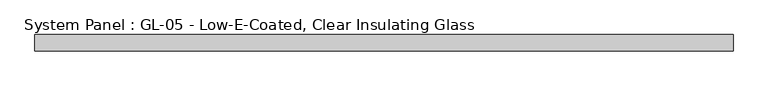
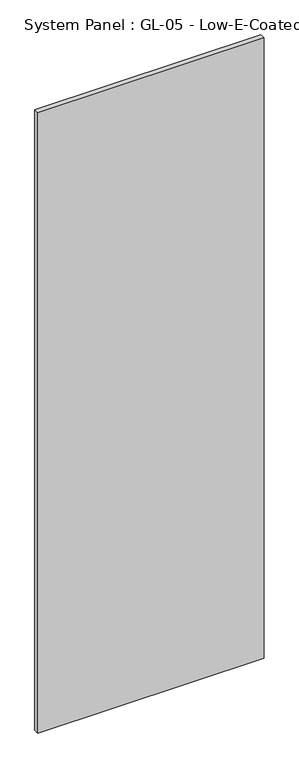
"""IFC4 building model written with IfcOpenShell, lengths in millimetres: plate geometry, System Panel : GL-05 - Low-E-Coated, Clear Insulating Glass."""

from ifc_helpers import new_model, si_unit, origin, origin_with_axes, place, context, project, spatial, polyline, outline, extrude, source, transform, mapped, element, save


def system_panel_gl_05_low_e_coated_clear_insulating_glass_ccac21f2(model_context):
    return source(origin(), model_context, "Body", "SweptSolid", [
        extrude(outline(polyline([(543.0178366, -12.7), (-543.0178366, -12.7), (-543.0178366, 12.7), (543.0178366, 12.7), (543.0178366, -12.7)])), origin_with_axes(), (0.0, 0.0, 1.0), 3143.25),
    ])


if __name__ == "__main__":
    model = new_model("IFC4")
    model_context = context("Model", 3, world=origin())
    ifc_project = project(units=[si_unit("LENGTHUNIT", "METRE", prefix="MILLI")], contexts=[model_context])
    site = spatial("IfcSite", under=ifc_project)
    building = spatial("IfcBuilding", under=site)
    placement = place(None, origin())
    system_panel_gl_05_low_e_coated_clear_insulating_glass_shape = system_panel_gl_05_low_e_coated_clear_insulating_glass_ccac21f2(model_context)
    element("IfcPlate", 1, ObjectType="System Panel : GL-05 - Low-E-Coated, Clear Insulating Glass", at=placement, inside=building, context=model_context, shape_type="MappedRepresentation", body=[
        mapped(system_panel_gl_05_low_e_coated_clear_insulating_glass_shape, transform((0.0, 0.0, 0.0), x_axis=(1.0, 0.0, 0.0), y_axis=(0.0, 1.0, 0.0), z_axis=(0.0, 0.0, 1.0))),
    ])
    save(model, "model.ifc")
